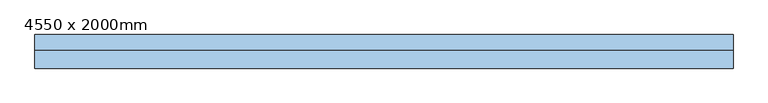
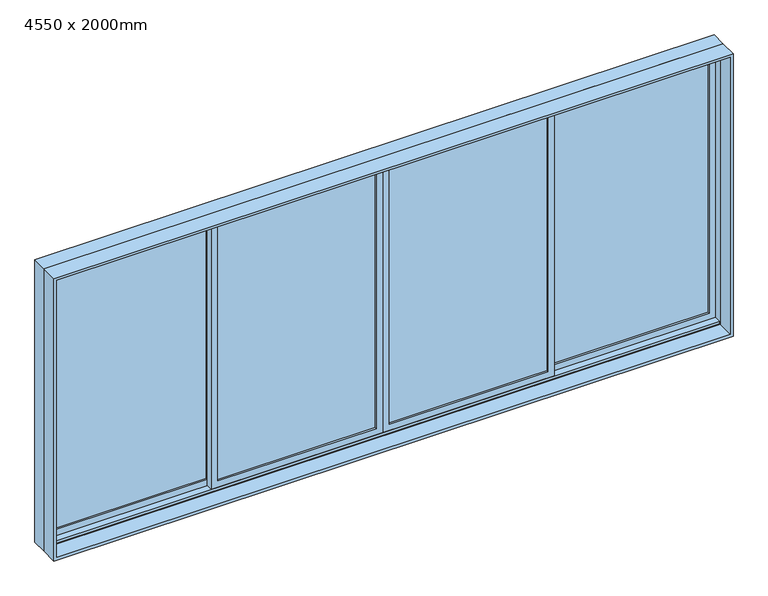
"""IFC4 building model written with IfcOpenShell, lengths in millimetres: window geometry, 4550 x 2000mm."""

from ifc_helpers import new_model, si_unit, frame, origin, place, context, project, spatial, polyline, outline, extrude, faceted_brep, source, transform, mapped, element, save


def window_4550_x_2000mm_5990af35(model_context):
    return source(origin(), model_context, "Body", "SolidModel", [
        faceted_brep([(-2275.0, 13.64, 900.0), (-2275.0, 115.24, 900.0), (2275.0, 115.24, 900.0), (2275.0, 13.64, 900.0), (-2234.0778905, 115.24, 2859.0778905), (-2234.0778905, 108.89, 2859.0778905), (-2234.0778905, 108.89, 919.05), (-2234.0778905, 115.24, 919.05), (2234.0778905, 108.89, 2859.0778905), (2234.0778905, 108.89, 919.05), (2255.95, 108.89, 919.05), (2255.95, 108.89, 2880.95), (-2255.95, 108.89, 2880.95), (-2255.95, 108.89, 919.05), (-2255.95, 13.64, 2880.95), (-2255.95, 13.64, 919.05), (-2255.95, 19.99, 919.05), (-2255.95, 19.99, 938.1), (-2255.95, 64.44, 938.1), (-2255.95, 64.44, 919.05), (2275.0, 13.64, 2900.0), (-2275.0, 13.64, 2900.0), (2255.95, 13.64, 2880.95), (2255.95, 13.64, 919.05), (-2275.0, 115.24, 2900.0), (2275.0, 115.24, 2900.0), (2234.0778905, 115.24, 919.05), (2234.0778905, 115.24, 2859.0778905), (2255.95, 64.44, 919.05), (2255.95, 64.44, 938.1), (2255.95, 19.99, 938.1), (2255.95, 19.99, 919.05)], [[[0, 1, 2, 3]], [[4, 5, 6, 7]], [[5, 8, 9, 10, 11, 12, 13, 6]], [[12, 14, 15, 16, 17, 18, 19, 13]], [[0, 3, 20, 21], [22, 23, 15, 14]], [[24, 1, 0, 21]], [[2, 1, 24, 25], [4, 7, 26, 27]], [[5, 4, 27, 8]], [[12, 11, 22, 14]], [[21, 20, 25, 24]], [[8, 27, 26, 9]], [[22, 11, 10, 28, 29, 30, 31, 23]], [[20, 3, 2, 25]], [[26, 7, 6, 13, 19, 28, 10, 9]], [[28, 19, 18, 29]], [[29, 18, 17, 30]], [[30, 17, 16, 31]], [[15, 23, 31, 16]]]),
        extrude(outline(polyline([(919.05, 2255.95), (2880.95, 2255.95), (2880.95, 1105.75), (919.05, 1105.75), (919.05, 2255.95)]), holes=[polyline([(2836.5, 1150.2), (2836.5, 2211.5), (982.55, 2211.5), (982.55, 1150.2), (2836.5, 1150.2)])]), frame((0.0, 64.44, 0.0), z_axis=(0.0, 1.0, 0.0), x_axis=(0.0, 0.0, 1.0)), (0.0, 0.0, 1.0), 44.45),
        extrude(outline(polyline([(2211.5, 96.19), (2211.5, 89.84), (1150.2, 89.84), (1150.2, 96.19), (2211.5, 96.19)])), frame((0.0, 0.0, 982.55), z_axis=(0.0, 0.0, 1.0), x_axis=(1.0, 0.0, 0.0)), (0.0, 0.0, 1.0), 1853.95),
        extrude(outline(polyline([(2211.5, 83.1725303), (2211.5, 77.14), (1150.2, 77.14), (1150.2, 83.1725303), (2211.5, 83.1725303)])), frame((0.0, 0.0, 982.55), z_axis=(0.0, 0.0, 1.0), x_axis=(1.0, 0.0, 0.0)), (0.0, 0.0, 1.0), 1853.95),
        extrude(outline(polyline([(1105.75, 51.74), (1105.75, 45.39), (44.45, 45.39), (44.45, 51.74), (1105.75, 51.74)])), frame((0.0, 0.0, 982.55), z_axis=(0.0, 0.0, 1.0), x_axis=(1.0, 0.0, 0.0)), (0.0, 0.0, 1.0), 1853.95),
        extrude(outline(polyline([(1105.75, 39.04), (1105.75, 32.69), (44.45, 32.69), (44.45, 39.04), (1105.75, 39.04)])), frame((0.0, 0.0, 982.55), z_axis=(0.0, 0.0, 1.0), x_axis=(1.0, 0.0, 0.0)), (0.0, 0.0, 1.0), 1853.95),
        extrude(outline(polyline([(2880.95, -1150.2), (938.1, -1150.2), (938.1, 0.0), (2880.95, 0.0), (2880.95, -1150.2)]), holes=[polyline([(2836.5, -44.45), (982.55, -44.45), (982.55, -1105.75), (2836.5, -1105.75), (2836.5, -44.45)])]), frame((0.0, 19.99, 0.0), z_axis=(0.0, 1.0, 0.0), x_axis=(0.0, 0.0, 1.0)), (0.0, 0.0, 1.0), 44.45),
        extrude(outline(polyline([(938.1, 1150.2), (2880.95, 1150.2), (2880.95, 0.0), (938.1, 0.0), (938.1, 1150.2)]), holes=[polyline([(982.55, 44.45), (2836.5, 44.45), (2836.5, 1105.75), (982.55, 1105.75), (982.55, 44.45)])]), frame((0.0, 19.99, 0.0), z_axis=(0.0, 1.0, 0.0), x_axis=(0.0, 0.0, 1.0)), (0.0, 0.0, 1.0), 44.45),
        extrude(outline(polyline([(2900.0, -2275.0), (900.0, -2275.0), (900.0, 2275.0), (2900.0, 2275.0), (2900.0, -2275.0)]), holes=[polyline([(2880.95, 2255.95), (919.05, 2255.95), (919.05, -2255.95), (2880.95, -2255.95), (2880.95, 2255.95)])]), frame((0.0, -103.81, 0.0), z_axis=(0.0, 1.0, 0.0), x_axis=(0.0, 0.0, 1.0)), (0.0, 0.0, 1.0), 117.45),
        extrude(outline(polyline([(-44.45, 51.74), (-44.45, 45.39), (-1105.75, 45.39), (-1105.75, 51.74), (-44.45, 51.74)])), frame((0.0, 0.0, 982.55), z_axis=(0.0, 0.0, 1.0), x_axis=(1.0, 0.0, 0.0)), (0.0, 0.0, 1.0), 1853.95),
        extrude(outline(polyline([(-44.45, 39.04), (-44.45, 32.69), (-1105.75, 32.69), (-1105.75, 39.04), (-44.45, 39.04)])), frame((0.0, 0.0, 982.55), z_axis=(0.0, 0.0, 1.0), x_axis=(1.0, 0.0, 0.0)), (0.0, 0.0, 1.0), 1853.95),
        extrude(outline(polyline([(-1150.2, 96.19), (-1150.2, 89.84), (-2211.5, 89.84), (-2211.5, 96.19), (-1150.2, 96.19)])), frame((0.0, 0.0, 982.55), z_axis=(0.0, 0.0, 1.0), x_axis=(1.0, 0.0, 0.0)), (0.0, 0.0, 1.0), 1853.95),
        extrude(outline(polyline([(-1150.2, 83.49), (-1150.2, 77.14), (-2211.5, 77.14), (-2211.5, 83.49), (-1150.2, 83.49)])), frame((0.0, 0.0, 982.55), z_axis=(0.0, 0.0, 1.0), x_axis=(1.0, 0.0, 0.0)), (0.0, 0.0, 1.0), 1853.95),
        extrude(outline(polyline([(919.05, -2255.95), (919.05, -1105.75), (2880.95, -1105.75), (2880.95, -2255.95), (919.05, -2255.95)]), holes=[polyline([(2836.5, -1150.2), (982.55, -1150.2), (982.55, -2211.5), (2836.5, -2211.5), (2836.5, -1150.2)])]), frame((0.0, 64.44, 0.0), z_axis=(0.0, 1.0, 0.0), x_axis=(0.0, 0.0, 1.0)), (0.0, 0.0, 1.0), 44.45),
    ])


if __name__ == "__main__":
    model = new_model("IFC4")
    model_context = context("Model", 3, world=origin())
    ifc_project = project(units=[si_unit("LENGTHUNIT", "METRE", prefix="MILLI")], contexts=[model_context])
    site = spatial("IfcSite", under=ifc_project)
    building = spatial("IfcBuilding", under=site)
    placement = place(None, origin())
    window_4550_x_2000mm_shape = window_4550_x_2000mm_5990af35(model_context)
    element("IfcWindow", 1, ObjectType="4550 x 2000mm", at=placement, inside=building, context=model_context, shape_type="MappedRepresentation", body=[
        mapped(window_4550_x_2000mm_shape, transform((0.0, 0.0, 0.0), x_axis=(1.0, 0.0, 0.0), y_axis=(0.0, 1.0, 0.0), z_axis=(0.0, 0.0, 1.0))),
    ])
    save(model, "model.ifc")
